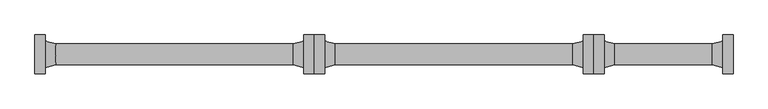
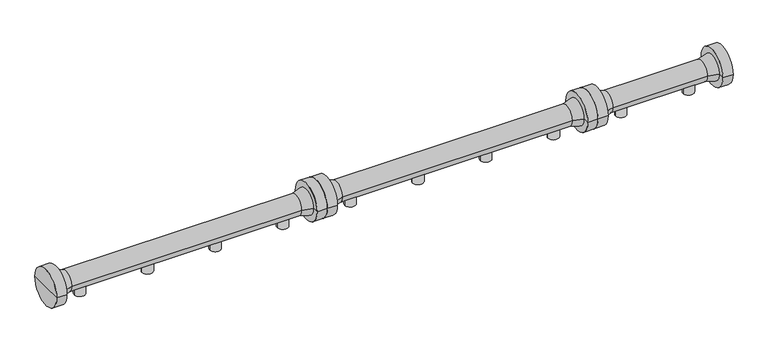
"""IFC4 building model written with IfcOpenShell, lengths in millimetres: proxy geometry."""

from ifc_helpers import new_model, si_unit, frame, origin, place, context, project, spatial, polyline, circle_curve, source, transform, mapped, element, save
from ifc_brep_helpers import plane_surface, cylinder_surface, revolved_surface, advanced_brep


def specialty_equipment_5651471e(model_context):
    return source(origin(), model_context, "Body", "AdvancedBrep", [
        advanced_brep(
        [(4536.0, 0.0, 0.0), (4456.0, 0.0, 0.0), (4456.0, 0.0, 85.195173), (4536.0, 0.0, 85.195173), (4496.0, 0.0, 0.0), (4496.0, 0.0, 85.195173)],
        [
            (0, 1, circle_curve(frame((4496.0, 0.0, 0.0), z_axis=(0.0, 0.0, 1.0), x_axis=(-1.0, 0.0, 0.0)), 40.0)),
            (1, 2),
            (2, 3, circle_curve(frame((4496.0, 0.0, 85.195173), z_axis=(0.0, 0.0, -1.0), x_axis=(-1.0, 0.0, 0.0)), 40.0)),
            (3, 0),
            (1, 0, circle_curve(frame((4496.0, 0.0, 0.0), z_axis=(0.0, 0.0, 1.0), x_axis=(-1.0, 0.0, 0.0)), 40.0)),
            (3, 2, circle_curve(frame((4496.0, 0.0, 85.195173), z_axis=(0.0, 0.0, -1.0), x_axis=(-1.0, 0.0, 0.0)), 40.0)),
            (4, 1),
            (0, 4),
            (2, 5),
            (5, 3),
        ],
        [
            cylinder_surface(frame((4496.0, 0.0, 1119.4899158), z_axis=(0.0, 0.0, -1.0), x_axis=(-1.0, 0.0, 0.0)), 40.0),
            plane_surface(frame((4496.0, 0.0, 0.0), z_axis=(0.0, 0.0, -1.0), x_axis=(-1.0, 0.0, 0.0))),
            plane_surface(frame((4496.0, 0.0, 85.195173), z_axis=(0.0, 0.0, 1.0), x_axis=(-1.0, 0.0, 0.0))),
        ],
        [
            (0, [[1, 2, 3, 4]]),
            (0, [[5, -4, 6, -2]]),
            (1, [[7, -1, 8]]),
            (1, [[-8, -5, -7]]),
            (2, [[-3, 9, 10]]),
            (2, [[-6, -10, -9]]),
        ],
    ),
        advanced_brep(
        [(4036.0, 0.0, 0.0), (3956.0, 0.0, 0.0), (3956.0, 0.0, 85.195173), (4036.0, 0.0, 85.195173), (3996.0, 0.0, 0.0), (3996.0, 0.0, 85.195173)],
        [
            (0, 1, circle_curve(frame((3996.0, 0.0, 0.0), z_axis=(0.0, 0.0, 1.0), x_axis=(-1.0, 0.0, 0.0)), 40.0)),
            (1, 2),
            (2, 3, circle_curve(frame((3996.0, 0.0, 85.195173), z_axis=(0.0, 0.0, -1.0), x_axis=(-1.0, 0.0, 0.0)), 40.0)),
            (3, 0),
            (1, 0, circle_curve(frame((3996.0, 0.0, 0.0), z_axis=(0.0, 0.0, 1.0), x_axis=(-1.0, 0.0, 0.0)), 40.0)),
            (3, 2, circle_curve(frame((3996.0, 0.0, 85.195173), z_axis=(0.0, 0.0, -1.0), x_axis=(-1.0, 0.0, 0.0)), 40.0)),
            (4, 1),
            (0, 4),
            (2, 5),
            (5, 3),
        ],
        [
            cylinder_surface(frame((3996.0, 0.0, 1119.4899158), z_axis=(0.0, 0.0, -1.0), x_axis=(-1.0, 0.0, 0.0)), 40.0),
            plane_surface(frame((3996.0, 0.0, 0.0), z_axis=(0.0, 0.0, -1.0), x_axis=(-1.0, 0.0, 0.0))),
            plane_surface(frame((3996.0, 0.0, 85.195173), z_axis=(0.0, 0.0, 1.0), x_axis=(-1.0, 0.0, 0.0))),
        ],
        [
            (0, [[1, 2, 3, 4]]),
            (0, [[5, -4, 6, -2]]),
            (1, [[7, -1, 8]]),
            (1, [[-8, -5, -7]]),
            (2, [[-3, 9, 10]]),
            (2, [[-6, -10, -9]]),
        ],
    ),
        advanced_brep(
        [(3747.0, 0.0, 131.853238), (3747.0, 139.6593353, 131.853238), (3747.0, -139.6593353, 131.853238), (4745.0, -139.6593353, 131.853238), (4745.0, 139.6593353, 131.853238), (4745.0, 0.0, 131.853238), (4670.0, -139.6593353, 131.853238), (4670.0, 139.6593353, 131.853238), (4670.0, -95.0, 131.853238), (4670.0, 95.0, 131.853238), (4594.8943825, -74.9718353, 131.853238), (4594.8943825, 74.9718353, 131.853238), (3897.1056175, -74.9718353, 131.853238), (3897.1056175, 74.9718353, 131.853238), (3822.0, -95.0, 131.853238), (3822.0, 95.0, 131.853238), (3822.0, -139.6593353, 131.853238), (3822.0, 139.6593353, 131.853238)],
        [
            (0, 1),
            (1, 2, circle_curve(frame((3747.0, 0.0, 131.853238), z_axis=(-1.0, 0.0, 0.0), x_axis=(0.0, 1.0, 0.0)), 139.6593353)),
            (2, 0),
            (2, 1, circle_curve(frame((3747.0, 0.0, 131.853238), z_axis=(-1.0, 0.0, 0.0), x_axis=(0.0, 1.0, 0.0)), 139.6593353)),
            (3, 4, circle_curve(frame((4745.0, 0.0, 131.853238), z_axis=(1.0, 0.0, 0.0), x_axis=(0.0, 1.0, 0.0)), 139.6593353)),
            (4, 5),
            (5, 3),
            (4, 3, circle_curve(frame((4745.0, 0.0, 131.853238), z_axis=(1.0, 0.0, 0.0), x_axis=(0.0, 1.0, 0.0)), 139.6593353)),
            (6, 7, circle_curve(frame((4670.0, 0.0, 131.853238), z_axis=(1.0, 0.0, 0.0), x_axis=(0.0, 1.0, 0.0)), 139.6593353)),
            (7, 4),
            (3, 6),
            (7, 6, circle_curve(frame((4670.0, 0.0, 131.853238), z_axis=(1.0, 0.0, 0.0), x_axis=(0.0, 1.0, 0.0)), 139.6593353)),
            (8, 9, circle_curve(frame((4670.0, 0.0, 131.853238), z_axis=(1.0, 0.0, 0.0), x_axis=(0.0, 1.0, 0.0)), 95.0)),
            (9, 7),
            (6, 8),
            (9, 8, circle_curve(frame((4670.0, 0.0, 131.853238), z_axis=(1.0, 0.0, 0.0), x_axis=(0.0, 1.0, 0.0)), 95.0)),
            (10, 11, circle_curve(frame((4594.8943825, 0.0, 131.853238), z_axis=(1.0, 0.0, 0.0), x_axis=(0.0, 1.0, 0.0)), 74.9718353)),
            (11, 9),
            (8, 10),
            (11, 10, circle_curve(frame((4594.8943825, 0.0, 131.853238), z_axis=(1.0, 0.0, 0.0), x_axis=(0.0, 1.0, 0.0)), 74.9718353)),
            (12, 13, circle_curve(frame((3897.1056175, 0.0, 131.853238), z_axis=(1.0, 0.0, 0.0), x_axis=(0.0, 1.0, 0.0)), 74.9718353)),
            (13, 11),
            (10, 12),
            (13, 12, circle_curve(frame((3897.1056175, 0.0, 131.853238), z_axis=(1.0, 0.0, 0.0), x_axis=(0.0, 1.0, 0.0)), 74.9718353)),
            (14, 15, circle_curve(frame((3822.0, 0.0, 131.853238), z_axis=(1.0, 0.0, 0.0), x_axis=(0.0, 1.0, 0.0)), 95.0)),
            (15, 13),
            (12, 14),
            (15, 14, circle_curve(frame((3822.0, 0.0, 131.853238), z_axis=(1.0, 0.0, 0.0), x_axis=(0.0, 1.0, 0.0)), 95.0)),
            (16, 17, circle_curve(frame((3822.0, 0.0, 131.853238), z_axis=(1.0, 0.0, 0.0), x_axis=(0.0, 1.0, 0.0)), 139.6593353)),
            (17, 15),
            (14, 16),
            (17, 16, circle_curve(frame((3822.0, 0.0, 131.853238), z_axis=(1.0, 0.0, 0.0), x_axis=(0.0, 1.0, 0.0)), 139.6593353)),
            (1, 17),
            (16, 2),
        ],
        [
            plane_surface(frame((3747.0, 0.0, 131.853238), z_axis=(-1.0, 0.0, 0.0), x_axis=(0.0, 1.0, 0.0))),
            plane_surface(frame((4745.0, 0.0, 131.853238), z_axis=(1.0, 0.0, 0.0), x_axis=(0.0, 1.0, 0.0))),
            cylinder_surface(frame((5770.0, 0.0, 131.853238), z_axis=(-1.0, 0.0, 0.0), x_axis=(0.0, 1.0, 0.0)), 139.6593353),
            plane_surface(frame((4670.0, 0.0, 131.853238), z_axis=(-1.0, 0.0, 0.0), x_axis=(0.0, 1.0, 0.0))),
            revolved_surface(polyline([(4670.0, 95.0, 131.853238), (4594.8943825, 74.9718353, 131.853238)]), (5770.0, 0.0, 131.853238), (-1.0, 0.0, 0.0)),
            cylinder_surface(frame((5770.0, 0.0, 131.853238), z_axis=(-1.0, 0.0, 0.0), x_axis=(0.0, 1.0, 0.0)), 74.9718353),
            revolved_surface(polyline([(3897.1056175, 74.9718353, 131.853238), (3822.0, 95.0, 131.853238)]), (5770.0, 0.0, 131.853238), (-1.0, 0.0, 0.0)),
            plane_surface(frame((3822.0, 0.0, 131.853238), z_axis=(1.0, 0.0, 0.0), x_axis=(0.0, 1.0, 0.0))),
        ],
        [
            (0, [[1, 2, 3]]),
            (0, [[-3, 4, -1]]),
            (1, [[5, 6, 7]]),
            (1, [[8, -7, -6]]),
            (2, [[9, 10, -5, 11]]),
            (2, [[12, -11, -8, -10]]),
            (3, [[13, 14, -9, 15]]),
            (3, [[16, -15, -12, -14]]),
            (4, [[17, 18, -13, 19]]),
            (4, [[20, -19, -16, -18]]),
            (5, [[21, 22, -17, 23]]),
            (5, [[24, -23, -20, -22]]),
            (6, [[25, 26, -21, 27]]),
            (6, [[28, -27, -24, -26]]),
            (7, [[29, 30, -25, 31]]),
            (7, [[32, -31, -28, -30]]),
            (2, [[-2, 33, -29, 34]]),
            (2, [[-4, -34, -32, -33]]),
        ],
    ),
        advanced_brep(
        [(3038.0, 0.0, 0.0), (2958.0, 0.0, 0.0), (2958.0, 0.0, 85.195173), (3038.0, 0.0, 85.195173), (2998.0, 0.0, 0.0), (2998.0, 0.0, 85.195173)],
        [
            (0, 1, circle_curve(frame((2998.0, 0.0, 0.0), z_axis=(0.0, 0.0, 1.0), x_axis=(-1.0, 0.0, 0.0)), 40.0)),
            (1, 2),
            (2, 3, circle_curve(frame((2998.0, 0.0, 85.195173), z_axis=(0.0, 0.0, -1.0), x_axis=(-1.0, 0.0, 0.0)), 40.0)),
            (3, 0),
            (1, 0, circle_curve(frame((2998.0, 0.0, 0.0), z_axis=(0.0, 0.0, 1.0), x_axis=(-1.0, 0.0, 0.0)), 40.0)),
            (3, 2, circle_curve(frame((2998.0, 0.0, 85.195173), z_axis=(0.0, 0.0, -1.0), x_axis=(-1.0, 0.0, 0.0)), 40.0)),
            (4, 1),
            (0, 4),
            (2, 5),
            (5, 3),
        ],
        [
            cylinder_surface(frame((2998.0, 0.0, 1119.4899158), z_axis=(0.0, 0.0, -1.0), x_axis=(-1.0, 0.0, 0.0)), 40.0),
            plane_surface(frame((2998.0, 0.0, 0.0), z_axis=(0.0, 0.0, -1.0), x_axis=(-1.0, 0.0, 0.0))),
            plane_surface(frame((2998.0, 0.0, 85.195173), z_axis=(0.0, 0.0, 1.0), x_axis=(-1.0, 0.0, 0.0))),
        ],
        [
            (0, [[1, 2, 3, 4]]),
            (0, [[5, -4, 6, -2]]),
            (1, [[7, -1, 8]]),
            (1, [[-8, -5, -7]]),
            (2, [[-3, 9, 10]]),
            (2, [[-6, -10, -9]]),
        ],
    ),
        advanced_brep(
        [(2538.0, 0.0, 0.0), (2458.0, 0.0, 0.0), (2458.0, 0.0, 85.195173), (2538.0, 0.0, 85.195173), (2498.0, 0.0, 0.0), (2498.0, 0.0, 85.195173)],
        [
            (0, 1, circle_curve(frame((2498.0, 0.0, 0.0), z_axis=(0.0, 0.0, 1.0), x_axis=(-1.0, 0.0, 0.0)), 40.0)),
            (1, 2),
            (2, 3, circle_curve(frame((2498.0, 0.0, 85.195173), z_axis=(0.0, 0.0, -1.0), x_axis=(-1.0, 0.0, 0.0)), 40.0)),
            (3, 0),
            (1, 0, circle_curve(frame((2498.0, 0.0, 0.0), z_axis=(0.0, 0.0, 1.0), x_axis=(-1.0, 0.0, 0.0)), 40.0)),
            (3, 2, circle_curve(frame((2498.0, 0.0, 85.195173), z_axis=(0.0, 0.0, -1.0), x_axis=(-1.0, 0.0, 0.0)), 40.0)),
            (4, 1),
            (0, 4),
            (2, 5),
            (5, 3),
        ],
        [
            cylinder_surface(frame((2498.0, 0.0, 1119.4899158), z_axis=(0.0, 0.0, -1.0), x_axis=(-1.0, 0.0, 0.0)), 40.0),
            plane_surface(frame((2498.0, 0.0, 0.0), z_axis=(0.0, 0.0, -1.0), x_axis=(-1.0, 0.0, 0.0))),
            plane_surface(frame((2498.0, 0.0, 85.195173), z_axis=(0.0, 0.0, 1.0), x_axis=(-1.0, 0.0, 0.0))),
        ],
        [
            (0, [[1, 2, 3, 4]]),
            (0, [[5, -4, 6, -2]]),
            (1, [[7, -1, 8]]),
            (1, [[-8, -5, -7]]),
            (2, [[-3, 9, 10]]),
            (2, [[-6, -10, -9]]),
        ],
    ),
        advanced_brep(
        [(3538.0, 0.0, 0.0), (3458.0, 0.0, 0.0), (3458.0, 0.0, 85.195173), (3538.0, 0.0, 85.195173), (3498.0, 0.0, 0.0), (3498.0, 0.0, 85.195173)],
        [
            (0, 1, circle_curve(frame((3498.0, 0.0, 0.0), z_axis=(0.0, 0.0, 1.0), x_axis=(-1.0, 0.0, 0.0)), 40.0)),
            (1, 2),
            (2, 3, circle_curve(frame((3498.0, 0.0, 85.195173), z_axis=(0.0, 0.0, -1.0), x_axis=(-1.0, 0.0, 0.0)), 40.0)),
            (3, 0),
            (1, 0, circle_curve(frame((3498.0, 0.0, 0.0), z_axis=(0.0, 0.0, 1.0), x_axis=(-1.0, 0.0, 0.0)), 40.0)),
            (3, 2, circle_curve(frame((3498.0, 0.0, 85.195173), z_axis=(0.0, 0.0, -1.0), x_axis=(-1.0, 0.0, 0.0)), 40.0)),
            (4, 1),
            (0, 4),
            (2, 5),
            (5, 3),
        ],
        [
            cylinder_surface(frame((3498.0, 0.0, 1119.4899158), z_axis=(0.0, 0.0, -1.0), x_axis=(-1.0, 0.0, 0.0)), 40.0),
            plane_surface(frame((3498.0, 0.0, 0.0), z_axis=(0.0, 0.0, -1.0), x_axis=(-1.0, 0.0, 0.0))),
            plane_surface(frame((3498.0, 0.0, 85.195173), z_axis=(0.0, 0.0, 1.0), x_axis=(-1.0, 0.0, 0.0))),
        ],
        [
            (0, [[1, 2, 3, 4]]),
            (0, [[5, -4, 6, -2]]),
            (1, [[7, -1, 8]]),
            (1, [[-8, -5, -7]]),
            (2, [[-3, 9, 10]]),
            (2, [[-6, -10, -9]]),
        ],
    ),
        advanced_brep(
        [(2038.0, 0.0, 0.0), (1958.0, 0.0, 0.0), (1958.0, 0.0, 85.195173), (2038.0, 0.0, 85.195173), (1998.0, 0.0, 0.0), (1998.0, 0.0, 85.195173)],
        [
            (0, 1, circle_curve(frame((1998.0, 0.0, 0.0), z_axis=(0.0, 0.0, 1.0), x_axis=(-1.0, 0.0, 0.0)), 40.0)),
            (1, 2),
            (2, 3, circle_curve(frame((1998.0, 0.0, 85.195173), z_axis=(0.0, 0.0, -1.0), x_axis=(-1.0, 0.0, 0.0)), 40.0)),
            (3, 0),
            (1, 0, circle_curve(frame((1998.0, 0.0, 0.0), z_axis=(0.0, 0.0, 1.0), x_axis=(-1.0, 0.0, 0.0)), 40.0)),
            (3, 2, circle_curve(frame((1998.0, 0.0, 85.195173), z_axis=(0.0, 0.0, -1.0), x_axis=(-1.0, 0.0, 0.0)), 40.0)),
            (4, 1),
            (0, 4),
            (2, 5),
            (5, 3),
        ],
        [
            cylinder_surface(frame((1998.0, 0.0, 1119.4899158), z_axis=(0.0, 0.0, -1.0), x_axis=(-1.0, 0.0, 0.0)), 40.0),
            plane_surface(frame((1998.0, 0.0, 0.0), z_axis=(0.0, 0.0, -1.0), x_axis=(-1.0, 0.0, 0.0))),
            plane_surface(frame((1998.0, 0.0, 85.195173), z_axis=(0.0, 0.0, 1.0), x_axis=(-1.0, 0.0, 0.0))),
        ],
        [
            (0, [[1, 2, 3, 4]]),
            (0, [[5, -4, 6, -2]]),
            (1, [[7, -1, 8]]),
            (1, [[-8, -5, -7]]),
            (2, [[-3, 9, 10]]),
            (2, [[-6, -10, -9]]),
        ],
    ),
        advanced_brep(
        [(1749.0, 0.0, 131.853238), (1749.0, 139.6593353, 131.853238), (1749.0, -139.6593353, 131.853238), (3747.0, -139.6593353, 131.853238), (3747.0, 139.6593353, 131.853238), (3747.0, 0.0, 131.853238), (3672.0, -139.6593353, 131.853238), (3672.0, 139.6593353, 131.853238), (3672.0, -95.0, 131.853238), (3672.0, 95.0, 131.853238), (3596.8943825, -74.9718353, 131.853238), (3596.8943825, 74.9718353, 131.853238), (1899.1056175, -74.9718353, 131.853238), (1899.1056175, 74.9718353, 131.853238), (1824.0, -95.0, 131.853238), (1824.0, 95.0, 131.853238), (1824.0, -139.6593353, 131.853238), (1824.0, 139.6593353, 131.853238)],
        [
            (0, 1),
            (1, 2, circle_curve(frame((1749.0, 0.0, 131.853238), z_axis=(-1.0, 0.0, 0.0), x_axis=(0.0, 1.0, 0.0)), 139.6593353)),
            (2, 0),
            (2, 1, circle_curve(frame((1749.0, 0.0, 131.853238), z_axis=(-1.0, 0.0, 0.0), x_axis=(0.0, 1.0, 0.0)), 139.6593353)),
            (3, 4, circle_curve(frame((3747.0, 0.0, 131.853238), z_axis=(1.0, 0.0, 0.0), x_axis=(0.0, 1.0, 0.0)), 139.6593353)),
            (4, 5),
            (5, 3),
            (4, 3, circle_curve(frame((3747.0, 0.0, 131.853238), z_axis=(1.0, 0.0, 0.0), x_axis=(0.0, 1.0, 0.0)), 139.6593353)),
            (6, 7, circle_curve(frame((3672.0, 0.0, 131.853238), z_axis=(1.0, 0.0, 0.0), x_axis=(0.0, 1.0, 0.0)), 139.6593353)),
            (7, 4),
            (3, 6),
            (7, 6, circle_curve(frame((3672.0, 0.0, 131.853238), z_axis=(1.0, 0.0, 0.0), x_axis=(0.0, 1.0, 0.0)), 139.6593353)),
            (8, 9, circle_curve(frame((3672.0, 0.0, 131.853238), z_axis=(1.0, 0.0, 0.0), x_axis=(0.0, 1.0, 0.0)), 95.0)),
            (9, 7),
            (6, 8),
            (9, 8, circle_curve(frame((3672.0, 0.0, 131.853238), z_axis=(1.0, 0.0, 0.0), x_axis=(0.0, 1.0, 0.0)), 95.0)),
            (10, 11, circle_curve(frame((3596.8943825, 0.0, 131.853238), z_axis=(1.0, 0.0, 0.0), x_axis=(0.0, 1.0, 0.0)), 74.9718353)),
            (11, 9),
            (8, 10),
            (11, 10, circle_curve(frame((3596.8943825, 0.0, 131.853238), z_axis=(1.0, 0.0, 0.0), x_axis=(0.0, 1.0, 0.0)), 74.9718353)),
            (12, 13, circle_curve(frame((1899.1056175, 0.0, 131.853238), z_axis=(1.0, 0.0, 0.0), x_axis=(0.0, 1.0, 0.0)), 74.9718353)),
            (13, 11),
            (10, 12),
            (13, 12, circle_curve(frame((1899.1056175, 0.0, 131.853238), z_axis=(1.0, 0.0, 0.0), x_axis=(0.0, 1.0, 0.0)), 74.9718353)),
            (14, 15, circle_curve(frame((1824.0, 0.0, 131.853238), z_axis=(1.0, 0.0, 0.0), x_axis=(0.0, 1.0, 0.0)), 95.0)),
            (15, 13),
            (12, 14),
            (15, 14, circle_curve(frame((1824.0, 0.0, 131.853238), z_axis=(1.0, 0.0, 0.0), x_axis=(0.0, 1.0, 0.0)), 95.0)),
            (16, 17, circle_curve(frame((1824.0, 0.0, 131.853238), z_axis=(1.0, 0.0, 0.0), x_axis=(0.0, 1.0, 0.0)), 139.6593353)),
            (17, 15),
            (14, 16),
            (17, 16, circle_curve(frame((1824.0, 0.0, 131.853238), z_axis=(1.0, 0.0, 0.0), x_axis=(0.0, 1.0, 0.0)), 139.6593353)),
            (1, 17),
            (16, 2),
        ],
        [
            plane_surface(frame((1749.0, 0.0, 131.853238), z_axis=(-1.0, 0.0, 0.0), x_axis=(0.0, 1.0, 0.0))),
            plane_surface(frame((3747.0, 0.0, 131.853238), z_axis=(1.0, 0.0, 0.0), x_axis=(0.0, 1.0, 0.0))),
            cylinder_surface(frame((4772.0, 0.0, 131.853238), z_axis=(-1.0, 0.0, 0.0), x_axis=(0.0, 1.0, 0.0)), 139.6593353),
            plane_surface(frame((3672.0, 0.0, 131.853238), z_axis=(-1.0, 0.0, 0.0), x_axis=(0.0, 1.0, 0.0))),
            revolved_surface(polyline([(3672.0, 95.0, 131.853238), (3596.8943825, 74.9718353, 131.853238)]), (4772.0, 0.0, 131.853238), (-1.0, 0.0, 0.0)),
            cylinder_surface(frame((4772.0, 0.0, 131.853238), z_axis=(-1.0, 0.0, 0.0), x_axis=(0.0, 1.0, 0.0)), 74.9718353),
            revolved_surface(polyline([(1899.1056175, 74.9718353, 131.853238), (1824.0, 95.0, 131.853238)]), (4772.0, 0.0, 131.853238), (-1.0, 0.0, 0.0)),
            plane_surface(frame((1824.0, 0.0, 131.853238), z_axis=(1.0, 0.0, 0.0), x_axis=(0.0, 1.0, 0.0))),
        ],
        [
            (0, [[1, 2, 3]]),
            (0, [[-3, 4, -1]]),
            (1, [[5, 6, 7]]),
            (1, [[8, -7, -6]]),
            (2, [[9, 10, -5, 11]]),
            (2, [[12, -11, -8, -10]]),
            (3, [[13, 14, -9, 15]]),
            (3, [[16, -15, -12, -14]]),
            (4, [[17, 18, -13, 19]]),
            (4, [[20, -19, -16, -18]]),
            (5, [[21, 22, -17, 23]]),
            (5, [[24, -23, -20, -22]]),
            (6, [[25, 26, -21, 27]]),
            (6, [[28, -27, -24, -26]]),
            (7, [[29, 30, -25, 31]]),
            (7, [[32, -31, -28, -30]]),
            (2, [[-2, 33, -29, 34]]),
            (2, [[-4, -34, -32, -33]]),
        ],
    ),
        advanced_brep(
        [(1040.0, 0.0, 0.046762), (960.0, 0.0, 0.046762), (960.0, 0.0, 85.241935), (1040.0, 0.0, 85.241935), (1000.0, 0.0, 0.046762), (1000.0, 0.0, 85.241935)],
        [
            (0, 1, circle_curve(frame((1000.0, 0.0, 0.046762), z_axis=(0.0, 0.0, 1.0), x_axis=(-1.0, 0.0, 0.0)), 40.0)),
            (1, 2),
            (2, 3, circle_curve(frame((1000.0, 0.0, 85.241935), z_axis=(0.0, 0.0, -1.0), x_axis=(-1.0, 0.0, 0.0)), 40.0)),
            (3, 0),
            (1, 0, circle_curve(frame((1000.0, 0.0, 0.046762), z_axis=(0.0, 0.0, 1.0), x_axis=(-1.0, 0.0, 0.0)), 40.0)),
            (3, 2, circle_curve(frame((1000.0, 0.0, 85.241935), z_axis=(0.0, 0.0, -1.0), x_axis=(-1.0, 0.0, 0.0)), 40.0)),
            (4, 1),
            (0, 4),
            (2, 5),
            (5, 3),
        ],
        [
            cylinder_surface(frame((1000.0, 0.0, 1119.5366778), z_axis=(0.0, 0.0, -1.0), x_axis=(-1.0, 0.0, 0.0)), 40.0),
            plane_surface(frame((1000.0, 0.0, 0.046762), z_axis=(0.0, 0.0, -1.0), x_axis=(-1.0, 0.0, 0.0))),
            plane_surface(frame((1000.0, 0.0, 85.241935), z_axis=(0.0, 0.0, 1.0), x_axis=(-1.0, 0.0, 0.0))),
        ],
        [
            (0, [[1, 2, 3, 4]]),
            (0, [[5, -4, 6, -2]]),
            (1, [[7, -1, 8]]),
            (1, [[-8, -5, -7]]),
            (2, [[-3, 9, 10]]),
            (2, [[-6, -10, -9]]),
        ],
    ),
        advanced_brep(
        [(540.0, 0.0, 0.046762), (460.0, 0.0, 0.046762), (460.0, 0.0, 85.241935), (540.0, 0.0, 85.241935), (500.0, 0.0, 0.046762), (500.0, 0.0, 85.241935)],
        [
            (0, 1, circle_curve(frame((500.0, 0.0, 0.046762), z_axis=(0.0, 0.0, 1.0), x_axis=(-1.0, 0.0, 0.0)), 40.0)),
            (1, 2),
            (2, 3, circle_curve(frame((500.0, 0.0, 85.241935), z_axis=(0.0, 0.0, -1.0), x_axis=(-1.0, 0.0, 0.0)), 40.0)),
            (3, 0),
            (1, 0, circle_curve(frame((500.0, 0.0, 0.046762), z_axis=(0.0, 0.0, 1.0), x_axis=(-1.0, 0.0, 0.0)), 40.0)),
            (3, 2, circle_curve(frame((500.0, 0.0, 85.241935), z_axis=(0.0, 0.0, -1.0), x_axis=(-1.0, 0.0, 0.0)), 40.0)),
            (4, 1),
            (0, 4),
            (2, 5),
            (5, 3),
        ],
        [
            cylinder_surface(frame((500.0, 0.0, 1119.5366778), z_axis=(0.0, 0.0, -1.0), x_axis=(-1.0, 0.0, 0.0)), 40.0),
            plane_surface(frame((500.0, 0.0, 0.046762), z_axis=(0.0, 0.0, -1.0), x_axis=(-1.0, 0.0, 0.0))),
            plane_surface(frame((500.0, 0.0, 85.241935), z_axis=(0.0, 0.0, 1.0), x_axis=(-1.0, 0.0, 0.0))),
        ],
        [
            (0, [[1, 2, 3, 4]]),
            (0, [[5, -4, 6, -2]]),
            (1, [[7, -1, 8]]),
            (1, [[-8, -5, -7]]),
            (2, [[-3, 9, 10]]),
            (2, [[-6, -10, -9]]),
        ],
    ),
        advanced_brep(
        [(1540.0, 0.0, 0.046762), (1460.0, 0.0, 0.046762), (1460.0, 0.0, 85.241935), (1540.0, 0.0, 85.241935), (1500.0, 0.0, 0.046762), (1500.0, 0.0, 85.241935)],
        [
            (0, 1, circle_curve(frame((1500.0, 0.0, 0.046762), z_axis=(0.0, 0.0, 1.0), x_axis=(-1.0, 0.0, 0.0)), 40.0)),
            (1, 2),
            (2, 3, circle_curve(frame((1500.0, 0.0, 85.241935), z_axis=(0.0, 0.0, -1.0), x_axis=(-1.0, 0.0, 0.0)), 40.0)),
            (3, 0),
            (1, 0, circle_curve(frame((1500.0, 0.0, 0.046762), z_axis=(0.0, 0.0, 1.0), x_axis=(-1.0, 0.0, 0.0)), 40.0)),
            (3, 2, circle_curve(frame((1500.0, 0.0, 85.241935), z_axis=(0.0, 0.0, -1.0), x_axis=(-1.0, 0.0, 0.0)), 40.0)),
            (4, 1),
            (0, 4),
            (2, 5),
            (5, 3),
        ],
        [
            cylinder_surface(frame((1500.0, 0.0, 1119.5366778), z_axis=(0.0, 0.0, -1.0), x_axis=(-1.0, 0.0, 0.0)), 40.0),
            plane_surface(frame((1500.0, 0.0, 0.046762), z_axis=(0.0, 0.0, -1.0), x_axis=(-1.0, 0.0, 0.0))),
            plane_surface(frame((1500.0, 0.0, 85.241935), z_axis=(0.0, 0.0, 1.0), x_axis=(-1.0, 0.0, 0.0))),
        ],
        [
            (0, [[1, 2, 3, 4]]),
            (0, [[5, -4, 6, -2]]),
            (1, [[7, -1, 8]]),
            (1, [[-8, -5, -7]]),
            (2, [[-3, 9, 10]]),
            (2, [[-6, -10, -9]]),
        ],
    ),
        advanced_brep(
        [(40.0, 0.0, 0.046762), (-40.0, 0.0, 0.046762), (-40.0, 0.0, 85.241935), (40.0, 0.0, 85.241935), (0.0, 0.0, 0.046762), (0.0, 0.0, 85.241935)],
        [
            (0, 1, circle_curve(frame((0.0, 0.0, 0.046762), z_axis=(0.0, 0.0, 1.0), x_axis=(-1.0, 0.0, 0.0)), 40.0)),
            (1, 2),
            (2, 3, circle_curve(frame((0.0, 0.0, 85.241935), z_axis=(0.0, 0.0, -1.0), x_axis=(-1.0, 0.0, 0.0)), 40.0)),
            (3, 0),
            (1, 0, circle_curve(frame((0.0, 0.0, 0.046762), z_axis=(0.0, 0.0, 1.0), x_axis=(-1.0, 0.0, 0.0)), 40.0)),
            (3, 2, circle_curve(frame((0.0, 0.0, 85.241935), z_axis=(0.0, 0.0, -1.0), x_axis=(-1.0, 0.0, 0.0)), 40.0)),
            (4, 1),
            (0, 4),
            (2, 5),
            (5, 3),
        ],
        [
            cylinder_surface(frame((0.0, 0.0, 1119.5366778), z_axis=(0.0, 0.0, -1.0), x_axis=(-1.0, 0.0, 0.0)), 40.0),
            plane_surface(frame((0.0, 0.0, 0.046762), z_axis=(0.0, 0.0, -1.0), x_axis=(-1.0, 0.0, 0.0))),
            plane_surface(frame((0.0, 0.0, 85.241935), z_axis=(0.0, 0.0, 1.0), x_axis=(-1.0, 0.0, 0.0))),
        ],
        [
            (0, [[1, 2, 3, 4]]),
            (0, [[5, -4, 6, -2]]),
            (1, [[7, -1, 8]]),
            (1, [[-8, -5, -7]]),
            (2, [[-3, 9, 10]]),
            (2, [[-6, -10, -9]]),
        ],
    ),
        advanced_brep(
        [(-249.0, 0.0, 131.9), (-249.0, 139.6593353, 131.9), (-249.0, -139.6593353, 131.9), (1749.0, -139.6593353, 131.9), (1749.0, 139.6593353, 131.9), (1749.0, 0.0, 131.9), (1674.0, -139.6593353, 131.9), (1674.0, 139.6593353, 131.9), (1674.0, -95.0, 131.9), (1674.0, 95.0, 131.9), (1598.8943825, -74.9718353, 131.9), (1598.8943825, 74.9718353, 131.9), (-98.8943825, -74.9718353, 131.9), (-98.8943825, 74.9718353, 131.9), (-174.0, -95.0, 131.9), (-174.0, 95.0, 131.9), (-174.0, -139.6593353, 131.9), (-174.0, 139.6593353, 131.9)],
        [
            (0, 1),
            (1, 2, circle_curve(frame((-249.0, 0.0, 131.9), z_axis=(-1.0, 0.0, 0.0), x_axis=(0.0, 1.0, 0.0)), 139.6593353)),
            (2, 0),
            (2, 1, circle_curve(frame((-249.0, 0.0, 131.9), z_axis=(-1.0, 0.0, 0.0), x_axis=(0.0, 1.0, 0.0)), 139.6593353)),
            (3, 4, circle_curve(frame((1749.0, 0.0, 131.9), z_axis=(1.0, 0.0, 0.0), x_axis=(0.0, 1.0, 0.0)), 139.6593353)),
            (4, 5),
            (5, 3),
            (4, 3, circle_curve(frame((1749.0, 0.0, 131.9), z_axis=(1.0, 0.0, 0.0), x_axis=(0.0, 1.0, 0.0)), 139.6593353)),
            (6, 7, circle_curve(frame((1674.0, 0.0, 131.9), z_axis=(1.0, 0.0, 0.0), x_axis=(0.0, 1.0, 0.0)), 139.6593353)),
            (7, 4),
            (3, 6),
            (7, 6, circle_curve(frame((1674.0, 0.0, 131.9), z_axis=(1.0, 0.0, 0.0), x_axis=(0.0, 1.0, 0.0)), 139.6593353)),
            (8, 9, circle_curve(frame((1674.0, 0.0, 131.9), z_axis=(1.0, 0.0, 0.0), x_axis=(0.0, 1.0, 0.0)), 95.0)),
            (9, 7),
            (6, 8),
            (9, 8, circle_curve(frame((1674.0, 0.0, 131.9), z_axis=(1.0, 0.0, 0.0), x_axis=(0.0, 1.0, 0.0)), 95.0)),
            (10, 11, circle_curve(frame((1598.8943825, 0.0, 131.9), z_axis=(1.0, 0.0, 0.0), x_axis=(0.0, 1.0, 0.0)), 74.9718353)),
            (11, 9),
            (8, 10),
            (11, 10, circle_curve(frame((1598.8943825, 0.0, 131.9), z_axis=(1.0, 0.0, 0.0), x_axis=(0.0, 1.0, 0.0)), 74.9718353)),
            (12, 13, circle_curve(frame((-98.8943825, 0.0, 131.9), z_axis=(1.0, 0.0, 0.0), x_axis=(0.0, 1.0, 0.0)), 74.9718353)),
            (13, 11),
            (10, 12),
            (13, 12, circle_curve(frame((-98.8943825, 0.0, 131.9), z_axis=(1.0, 0.0, 0.0), x_axis=(0.0, 1.0, 0.0)), 74.9718353)),
            (14, 15, circle_curve(frame((-174.0, 0.0, 131.9), z_axis=(1.0, 0.0, 0.0), x_axis=(0.0, 1.0, 0.0)), 95.0)),
            (15, 13),
            (12, 14),
            (15, 14, circle_curve(frame((-174.0, 0.0, 131.9), z_axis=(1.0, 0.0, 0.0), x_axis=(0.0, 1.0, 0.0)), 95.0)),
            (16, 17, circle_curve(frame((-174.0, 0.0, 131.9), z_axis=(1.0, 0.0, 0.0), x_axis=(0.0, 1.0, 0.0)), 139.6593353)),
            (17, 15),
            (14, 16),
            (17, 16, circle_curve(frame((-174.0, 0.0, 131.9), z_axis=(1.0, 0.0, 0.0), x_axis=(0.0, 1.0, 0.0)), 139.6593353)),
            (1, 17),
            (16, 2),
        ],
        [
            plane_surface(frame((-249.0, 0.0, 131.9), z_axis=(-1.0, 0.0, 0.0), x_axis=(0.0, 1.0, 0.0))),
            plane_surface(frame((1749.0, 0.0, 131.9), z_axis=(1.0, 0.0, 0.0), x_axis=(0.0, 1.0, 0.0))),
            cylinder_surface(frame((2774.0, 0.0, 131.9), z_axis=(-1.0, 0.0, 0.0), x_axis=(0.0, 1.0, 0.0)), 139.6593353),
            plane_surface(frame((1674.0, 0.0, 131.9), z_axis=(-1.0, 0.0, 0.0), x_axis=(0.0, 1.0, 0.0))),
            revolved_surface(polyline([(1674.0, 95.0, 131.9), (1598.8943825, 74.9718353, 131.9)]), (2774.0, 0.0, 131.9), (-1.0, 0.0, 0.0)),
            cylinder_surface(frame((2774.0, 0.0, 131.9), z_axis=(-1.0, 0.0, 0.0), x_axis=(0.0, 1.0, 0.0)), 74.9718353),
            revolved_surface(polyline([(-98.8943825, 74.9718353, 131.9), (-174.0, 95.0, 131.9)]), (2774.0, 0.0, 131.9), (-1.0, 0.0, 0.0)),
            plane_surface(frame((-174.0, 0.0, 131.9), z_axis=(1.0, 0.0, 0.0), x_axis=(0.0, 1.0, 0.0))),
        ],
        [
            (0, [[1, 2, 3]]),
            (0, [[-3, 4, -1]]),
            (1, [[5, 6, 7]]),
            (1, [[8, -7, -6]]),
            (2, [[9, 10, -5, 11]]),
            (2, [[12, -11, -8, -10]]),
            (3, [[13, 14, -9, 15]]),
            (3, [[16, -15, -12, -14]]),
            (4, [[17, 18, -13, 19]]),
            (4, [[20, -19, -16, -18]]),
            (5, [[21, 22, -17, 23]]),
            (5, [[24, -23, -20, -22]]),
            (6, [[25, 26, -21, 27]]),
            (6, [[28, -27, -24, -26]]),
            (7, [[29, 30, -25, 31]]),
            (7, [[32, -31, -28, -30]]),
            (2, [[-2, 33, -29, 34]]),
            (2, [[-4, -34, -32, -33]]),
        ],
    ),
    ])


if __name__ == "__main__":
    model = new_model("IFC4")
    model_context = context("Model", 3, world=origin())
    ifc_project = project(units=[si_unit("LENGTHUNIT", "METRE", prefix="MILLI")], contexts=[model_context])
    site = spatial("IfcSite", under=ifc_project)
    building = spatial("IfcBuilding", under=site)
    placement = place(None, origin())
    specialty_equipment_shape = specialty_equipment_5651471e(model_context)
    element("IfcBuildingElementProxy", 1, Name="Specialty Equipment", at=placement, inside=building, context=model_context, shape_type="MappedRepresentation", body=[
        mapped(specialty_equipment_shape, transform((0.0, 0.0, 0.0), x_axis=(1.0, 0.0, 0.0), y_axis=(0.0, 1.0, 0.0), z_axis=(0.0, 0.0, 1.0))),
    ])
    save(model, "model.ifc")
